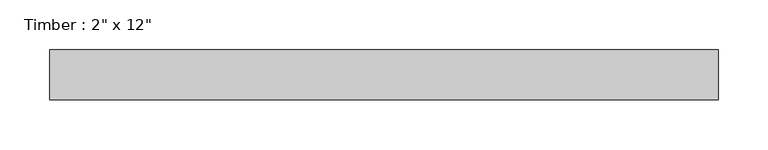
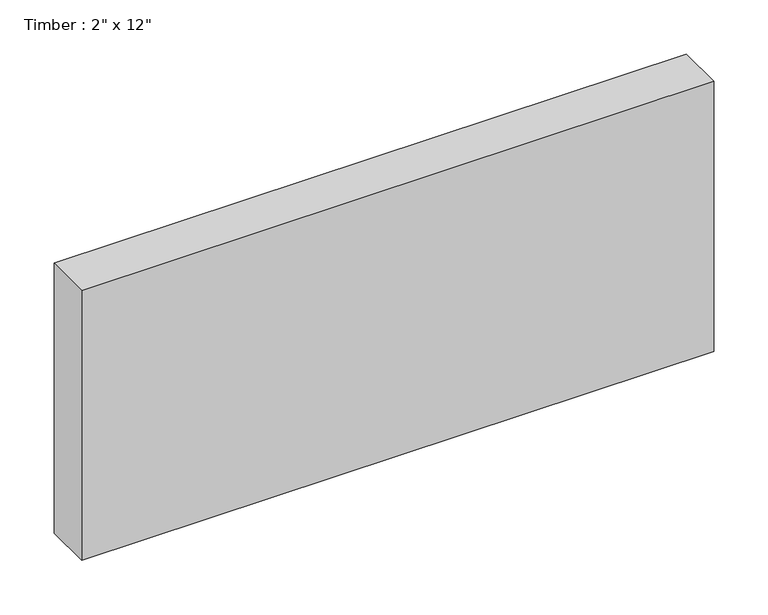
"""IFC4 building model written with IfcOpenShell, lengths in millimetres: beam geometry."""

from ifc_helpers import new_model, si_unit, frame, origin, place, context, project, spatial, polyline, outline, extrude, source, transform, mapped, element, save


def beam_1b266757(model_context):
    return source(origin(), model_context, "Body", "SweptSolid", [
        extrude(outline(polyline([(337.3373408, 25.4), (337.3373408, -25.4), (-337.3373408, -25.4), (-337.3373408, 25.4), (337.3373408, 25.4)])), frame((0.0, 0.0, -152.4), z_axis=(0.0, 0.0, 1.0), x_axis=(1.0, 0.0, 0.0)), (0.0, 0.0, 1.0), 304.8),
    ])


if __name__ == "__main__":
    model = new_model("IFC4")
    model_context = context("Model", 3, world=origin())
    ifc_project = project(units=[si_unit("LENGTHUNIT", "METRE", prefix="MILLI")], contexts=[model_context])
    site = spatial("IfcSite", under=ifc_project)
    building = spatial("IfcBuilding", under=site)
    placement = place(None, origin())
    beam_shape = beam_1b266757(model_context)
    element("IfcBeam", 1, ObjectType="Timber : 2\" x 12\"", at=placement, inside=building, context=model_context, shape_type="MappedRepresentation", body=[
        mapped(beam_shape, transform((0.0, 0.0, 0.0), x_axis=(1.0, 0.0, 0.0), y_axis=(0.0, 1.0, 0.0), z_axis=(0.0, 0.0, 1.0))),
    ])
    save(model, "model.ifc")
